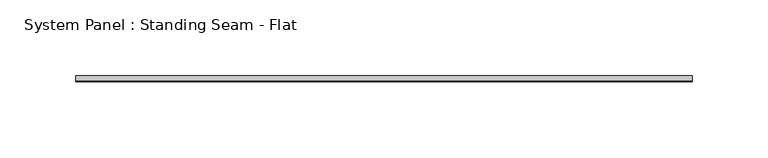
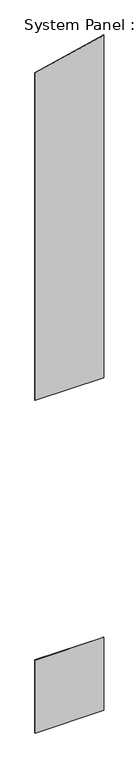
"""IFC4 building model written with IfcOpenShell, lengths in millimetres: plate geometry, System Panel : Standing Seam - Flat."""

from ifc_helpers import new_model, si_unit, frame, origin, origin_with_axes, place, context, project, spatial, polyline, outline, extrude, source, transform, mapped, element, save


def system_panel_standing_seam_flat_6aa18168(model_context):
    return source(origin(), model_context, "Body", "SweptSolid", [
        extrude(outline(polyline([(203.2, -1.5875), (-203.2, -1.5875), (-203.2, 1.5875), (203.2, 1.5875), (203.2, -1.5875)])), origin_with_axes(), (0.0, 0.0, 1.0), 457.2),
        extrude(outline(polyline([(2082.8, -203.2), (2082.8, 203.2), (4226.6120428, 203.2), (4133.229298, -203.2), (2082.8, -203.2)])), frame((0.0, -1.5875, 0.0), z_axis=(0.0, 1.0, 0.0), x_axis=(0.0, 0.0, 1.0)), (0.0, 0.0, 1.0), 3.175),
    ])


if __name__ == "__main__":
    model = new_model("IFC4")
    model_context = context("Model", 3, world=origin())
    ifc_project = project(units=[si_unit("LENGTHUNIT", "METRE", prefix="MILLI")], contexts=[model_context])
    site = spatial("IfcSite", under=ifc_project)
    building = spatial("IfcBuilding", under=site)
    placement = place(None, origin())
    system_panel_standing_seam_flat_shape = system_panel_standing_seam_flat_6aa18168(model_context)
    element("IfcPlate", 1, ObjectType="System Panel : Standing Seam - Flat", at=placement, inside=building, context=model_context, shape_type="MappedRepresentation", body=[
        mapped(system_panel_standing_seam_flat_shape, transform((0.0, 0.0, 0.0), x_axis=(1.0, 0.0, 0.0), y_axis=(0.0, 1.0, 0.0), z_axis=(0.0, 0.0, 1.0))),
    ])
    save(model, "model.ifc")
